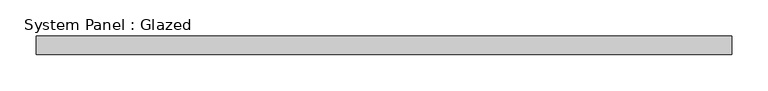
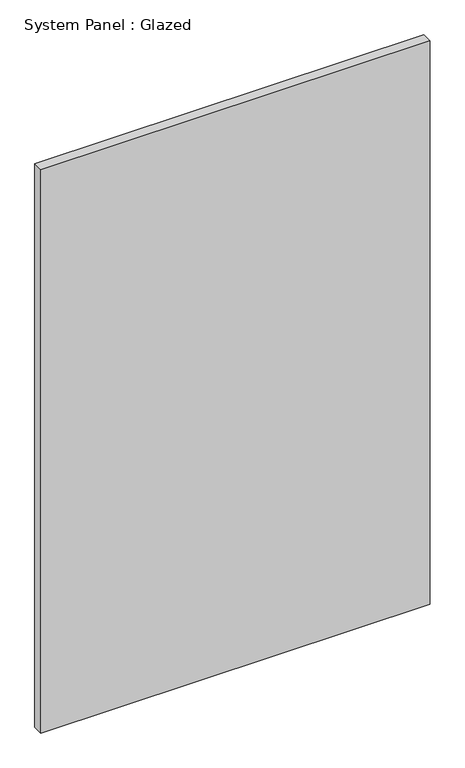
"""IFC4 building model written with IfcOpenShell, lengths in millimetres: plate geometry, System Panel : Glazed."""

from ifc_helpers import new_model, si_unit, origin, origin_with_axes, place, context, project, spatial, polyline, outline, extrude, source, transform, mapped, element, save


def system_panel_glazed_6b93bb8d(model_context):
    return source(origin(), model_context, "Body", "SweptSolid", [
        extrude(outline(polyline([(479.425, -12.7), (-479.425, -12.7), (-479.425, 12.7), (479.425, 12.7), (479.425, -12.7)])), origin_with_axes(), (0.0, 0.0, 1.0), 1466.85),
    ])


if __name__ == "__main__":
    model = new_model("IFC4")
    model_context = context("Model", 3, world=origin())
    ifc_project = project(units=[si_unit("LENGTHUNIT", "METRE", prefix="MILLI")], contexts=[model_context])
    site = spatial("IfcSite", under=ifc_project)
    building = spatial("IfcBuilding", under=site)
    placement = place(None, origin())
    system_panel_glazed_shape = system_panel_glazed_6b93bb8d(model_context)
    element("IfcPlate", 1, ObjectType="System Panel : Glazed", at=placement, inside=building, context=model_context, shape_type="MappedRepresentation", body=[
        mapped(system_panel_glazed_shape, transform((0.0, 0.0, 0.0), x_axis=(1.0, 0.0, 0.0), y_axis=(0.0, 1.0, 0.0), z_axis=(0.0, 0.0, 1.0))),
    ])
    save(model, "model.ifc")
